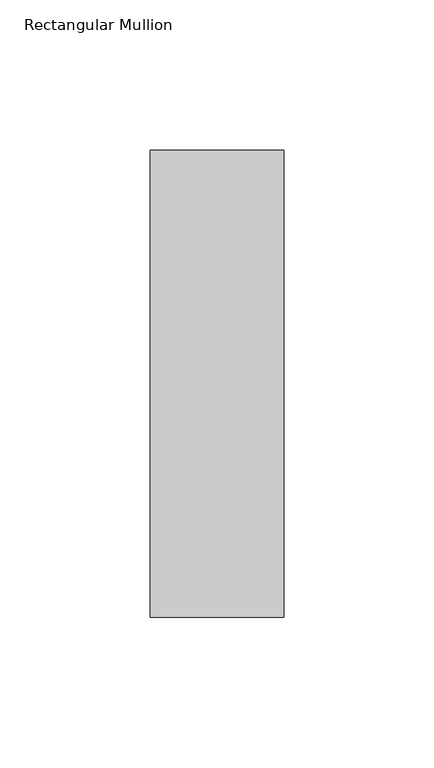
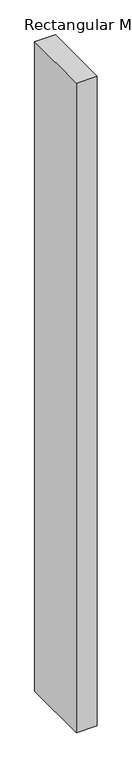
"""IFC4 building model written with IfcOpenShell, lengths in millimetres: member geometry, Rectangular Mullion."""

from ifc_helpers import new_model, si_unit, frame, origin, place, context, project, spatial, polyline, outline, extrude, source, transform, mapped, element, save


def rectangular_mullion_cce5fabc(model_context):
    return source(origin(), model_context, "Body", "SweptSolid", [
        extrude(outline(polyline([(-44.45, 76.1906616), (0.0, 76.1906616), (0.0, -79.3656616), (-44.45, -79.3656616), (-44.45, 76.1906616)])), frame((0.0, 0.0, -1479.55), z_axis=(0.0, 0.0, 1.0), x_axis=(1.0, 0.0, 0.0)), (0.0, 0.0, 1.0), 1479.55),
    ])


if __name__ == "__main__":
    model = new_model("IFC4")
    model_context = context("Model", 3, world=origin())
    ifc_project = project(units=[si_unit("LENGTHUNIT", "METRE", prefix="MILLI")], contexts=[model_context])
    site = spatial("IfcSite", under=ifc_project)
    building = spatial("IfcBuilding", under=site)
    placement = place(None, origin())
    rectangular_mullion_shape = rectangular_mullion_cce5fabc(model_context)
    element("IfcMember", 1, ObjectType="Rectangular Mullion", at=placement, inside=building, context=model_context, shape_type="MappedRepresentation", body=[
        mapped(rectangular_mullion_shape, transform((0.0, 0.0, 0.0), x_axis=(1.0, 0.0, 0.0), y_axis=(0.0, 1.0, 0.0), z_axis=(0.0, 0.0, 1.0))),
    ])
    save(model, "model.ifc")
